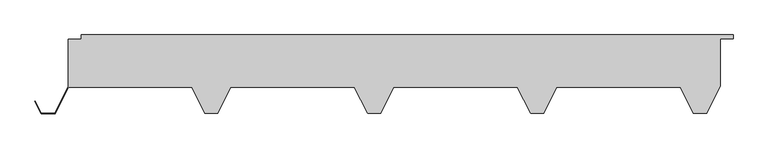
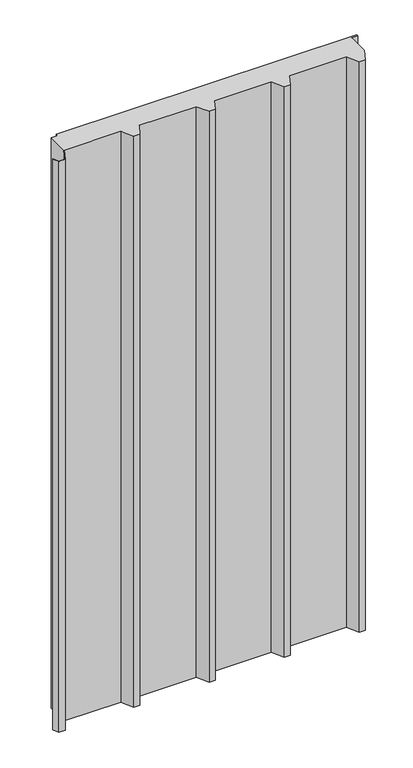
"""IFC4 building model written with IfcOpenShell, lengths in millimetres: plate geometry."""

from ifc_helpers import new_model, si_unit, origin, origin_with_axes, place, context, project, spatial, polyline, outline, extrude, source, transform, mapped, element, save


def plate_26cf2d05(model_context):
    return source(origin(), model_context, "Body", "SweptSolid", [
        extrude(outline(polyline([(479.2444272, -120.0), (459.2444272, -120.0), (439.2444272, -80.0), (249.2444272, -80.0), (229.2444272, -120.0), (209.2444272, -120.0), (189.2444272, -80.0), (-0.7555728, -80.0), (-20.7555728, -120.0), (-40.7555728, -120.0), (-60.7555728, -80.0), (-250.7555728, -80.0), (-270.7555728, -120.0), (-290.7555728, -120.0), (-310.7555728, -80.0), (-499.5055728, -80.0), (-520.0055728, -121.0), (-541.5055728, -121.0), (-550.9818107, -102.0475242), (-550.266269, -101.6897533), (-541.0111456, -120.2), (-520.5, -120.2), (-500.0, -79.2), (-500.0, -6.496736), (-480.0, -6.496736), (-480.0, 0.0), (520.0, 0.0), (520.0, -6.0), (500.0, -6.0), (500.0, -78.4888544), (479.2444272, -120.0)])), origin_with_axes(), (0.0, 0.0, 1.0), 2007.6396751),
    ])


if __name__ == "__main__":
    model = new_model("IFC4")
    model_context = context("Model", 3, world=origin())
    ifc_project = project(units=[si_unit("LENGTHUNIT", "METRE", prefix="MILLI")], contexts=[model_context])
    site = spatial("IfcSite", under=ifc_project)
    building = spatial("IfcBuilding", under=site)
    placement = place(None, origin())
    plate_shape = plate_26cf2d05(model_context)
    element("IfcPlate", 1, at=placement, inside=building, context=model_context, shape_type="MappedRepresentation", body=[
        mapped(plate_shape, transform((0.0, 0.0, 0.0), x_axis=(1.0, 0.0, 0.0), y_axis=(0.0, 1.0, 0.0), z_axis=(0.0, 0.0, 1.0))),
    ])
    save(model, "model.ifc")
